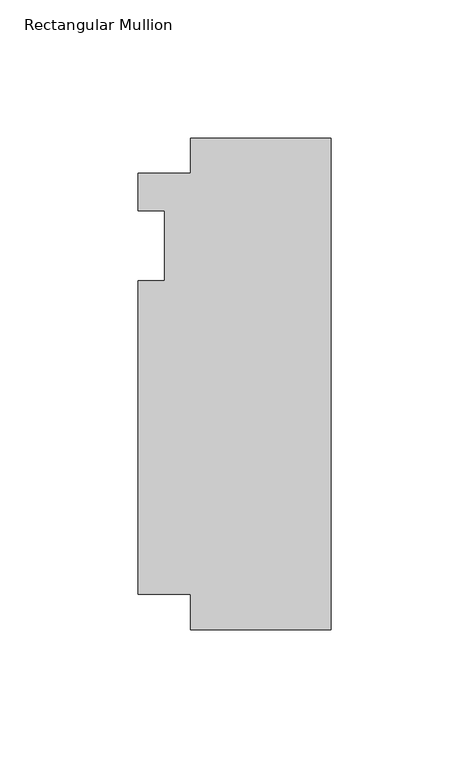
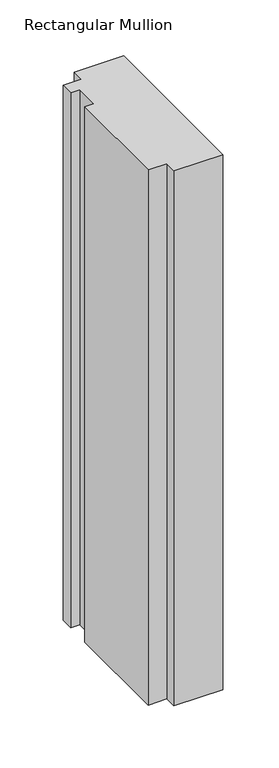
"""IFC4 building model written with IfcOpenShell, lengths in millimetres: member geometry, Rectangular Mullion."""

from ifc_helpers import new_model, si_unit, frame, origin, place, context, project, spatial, polyline, outline, extrude, source, transform, mapped, element, save


def rectangular_mullion_70d88495(model_context):
    return source(origin(), model_context, "Body", "SweptSolid", [
        extrude(outline(polyline([(-69.85, 26.19375), (-50.8, 26.19375), (-50.8, 38.8943162), (0.0, 38.8943162), (0.0, -138.90625), (-50.8, -138.90625), (-50.8, -126.20625), (-69.85, -126.20625), (-69.85, -12.7), (-60.325, -12.7), (-60.325, 12.7), (-69.85, 12.7), (-69.85, 26.19375)])), frame((0.0, 0.0, -584.2), z_axis=(0.0, 0.0, 1.0), x_axis=(1.0, 0.0, 0.0)), (0.0, 0.0, 1.0), 584.2),
    ])


if __name__ == "__main__":
    model = new_model("IFC4")
    model_context = context("Model", 3, world=origin())
    ifc_project = project(units=[si_unit("LENGTHUNIT", "METRE", prefix="MILLI")], contexts=[model_context])
    site = spatial("IfcSite", under=ifc_project)
    building = spatial("IfcBuilding", under=site)
    placement = place(None, origin())
    rectangular_mullion_shape = rectangular_mullion_70d88495(model_context)
    element("IfcMember", 1, ObjectType="Rectangular Mullion", at=placement, inside=building, context=model_context, shape_type="MappedRepresentation", body=[
        mapped(rectangular_mullion_shape, transform((0.0, 0.0, 0.0), x_axis=(1.0, 0.0, 0.0), y_axis=(0.0, 1.0, 0.0), z_axis=(0.0, 0.0, 1.0))),
    ])
    save(model, "model.ifc")
